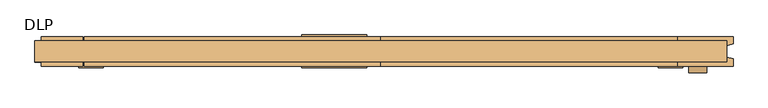
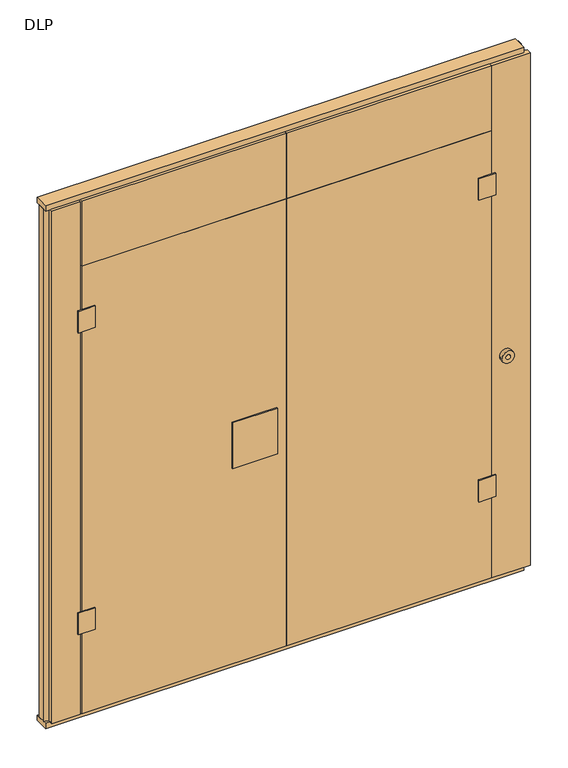
"""IFC4 building model written with IfcOpenShell, lengths in millimetres: door geometry, DLP."""

import ifcopenshell
import ifcopenshell.guid

model = None  # the IFC model being written
_history = None  # IfcOwnerHistory: only IFC2X3 demands one
_inside = {}  # id of a spatial element -> (the spatial element, [elements in it])
_under = {}  # id of a project, library or spatial element -> (it, [spatial elements below it])
_declared = {}  # id of a project -> (the project, [libraries it declares])
_typed = {}  # id of a type object -> (the type object, [elements of that type])
_made_of = {}  # id of a material, layer set ... -> (it, [elements and type objects made of it])


def new_model(schema):
    """Start an empty IFC model of exactly this schema.

    Asked for "IFC4X3", IfcOpenShell would pick the latest addendum, in which some entities
    have other attributes; the version numbers below select the first issue.
    IFC2X3 requires an IfcOwnerHistory on every rooted entity: one is made here for all.
    """
    global model, _history
    if schema == "IFC4X3":
        model = ifcopenshell.file(schema_version=(4, 3, 0, 0))
    else:
        model = ifcopenshell.file(schema=schema)
    _inside.clear()
    _under.clear()
    _declared.clear()
    _typed.clear()
    _made_of.clear()
    _history = None
    if model.schema == "IFC2X3":
        org = make("IfcOrganization", Name="unknown")
        user = make(
            "IfcPersonAndOrganization",
            ThePerson=make("IfcPerson", FamilyName="unknown"),
            TheOrganization=org,
        )
        app = make(
            "IfcApplication",
            ApplicationDeveloper=org,
            Version="unknown",
            ApplicationFullName="unknown",
            ApplicationIdentifier="unknown",
        )
        _history = make(
            "IfcOwnerHistory",
            OwningUser=user,
            OwningApplication=app,
            ChangeAction="ADDED",
            CreationDate=0,
        )
    return model


def make(cls, **values):
    """One entity of the class cls with the attributes given. An attribute that is None is left unset."""
    return model.create_entity(
        cls, **{name: value for name, value in values.items() if value is not None}
    )


def rooted(cls, **values):
    """An entity with a GlobalId (a new one), such as an element, a storey or a relation."""
    return make(cls, GlobalId=ifcopenshell.guid.new(), OwnerHistory=_history, **values)


def si_unit(unit_type, name, prefix=None):
    """IfcSIUnit, for example si_unit("LENGTHUNIT", "METRE", prefix="MILLI")."""
    return make("IfcSIUnit", UnitType=unit_type, Prefix=prefix, Name=name)


def assignment(units):
    """IfcUnitAssignment: the units of a project."""
    return None if units is None else make("IfcUnitAssignment", Units=units)


def point(xyz):
    """IfcCartesianPoint."""
    return None if xyz is None else make("IfcCartesianPoint", Coordinates=xyz)


def direction(xyz):
    """IfcDirection."""
    return None if xyz is None else make("IfcDirection", DirectionRatios=xyz)


def frame(location, z_axis=None, x_axis=None):
    """IfcAxis2Placement3D, a coordinate frame: its origin and axes. An axis left out is left unset."""
    return make(
        "IfcAxis2Placement3D",
        Location=point(location),
        Axis=direction(z_axis),
        RefDirection=direction(x_axis),
    )


def frame_2d(location, x_axis=None):
    """IfcAxis2Placement2D, a coordinate frame in the plane: its origin and x axis."""
    return make(
        "IfcAxis2Placement2D", Location=point(location), RefDirection=direction(x_axis)
    )


def origin():
    """The frame at (0, 0, 0) with its axes left unset."""
    return frame((0.0, 0.0, 0.0))


def origin_with_axes():
    """The frame at (0, 0, 0) with the z axis (0, 0, 1) and the x axis (1, 0, 0) written out."""
    return frame((0.0, 0.0, 0.0), z_axis=(0.0, 0.0, 1.0), x_axis=(1.0, 0.0, 0.0))


def place(relative_to, where):
    """IfcLocalPlacement: puts the frame where relative to a parent placement (None: the world)."""
    return make(
        "IfcLocalPlacement", PlacementRelTo=relative_to, RelativePlacement=where
    )


def context(
    kind, dimensions, precision=None, world=None, true_north=None, identifier=None
):
    """IfcGeometricRepresentationContext, for example the 3D "Model" context."""
    return make(
        "IfcGeometricRepresentationContext",
        ContextIdentifier=identifier,
        ContextType=kind,
        CoordinateSpaceDimension=dimensions,
        Precision=precision,
        WorldCoordinateSystem=world,
        TrueNorth=true_north,
    )


def project(units=None, contexts=None):
    """IfcProject with its units and contexts."""
    return rooted(
        "IfcProject",
        Name="project",
        RepresentationContexts=contexts,
        UnitsInContext=assignment(units),
    )


def spatial(cls, under=None, at=None, **own):
    """A site, building, storey or space (cls), placed at a placement, below another one or the project."""
    s = rooted(cls, ObjectPlacement=at, **own)
    if under is not None:
        _under.setdefault(under.id(), (under, []))[1].append(s)
    return s


def polyline(points):
    """IfcPolyline through the points."""
    return make("IfcPolyline", Points=[point(p) for p in points])


def circle_curve(where, radius):
    """IfcCircle in the frame where."""
    return make("IfcCircle", Position=where, Radius=radius)


def trimmed(basis, trim1, trim2, sense, master):
    """IfcTrimmedCurve: the piece of a basis curve between two trims."""
    return make(
        "IfcTrimmedCurve",
        BasisCurve=basis,
        Trim1=trim1,
        Trim2=trim2,
        SenseAgreement=sense,
        MasterRepresentation=master,
    )


def segment(curve, same_sense, transition):
    """IfcCompositeCurveSegment."""
    return make(
        "IfcCompositeCurveSegment",
        Transition=transition,
        SameSense=same_sense,
        ParentCurve=curve,
    )


def composite_curve(segments, self_intersect=None):
    """IfcCompositeCurve: segments joined end to end."""
    return make("IfcCompositeCurve", Segments=segments, SelfIntersect=self_intersect)


def outline(outer, holes=None, kind="AREA"):
    """IfcArbitraryClosedProfileDef: a profile drawn as a closed curve; with holes, ...WithVoids."""
    if holes is None:
        return make("IfcArbitraryClosedProfileDef", ProfileType=kind, OuterCurve=outer)
    return make(
        "IfcArbitraryProfileDefWithVoids",
        ProfileType=kind,
        OuterCurve=outer,
        InnerCurves=holes,
    )


def extrude(swept, where, along, depth):
    """IfcExtrudedAreaSolid: the profile swept, set in the frame where, extruded along a direction by depth."""
    return make(
        "IfcExtrudedAreaSolid",
        SweptArea=swept,
        Position=where,
        ExtrudedDirection=direction(along),
        Depth=depth,
    )


def shape(context_of_items, identifier, shape_type, items):
    """IfcShapeRepresentation: the items that make up one representation, for example the "Body"."""
    return make(
        "IfcShapeRepresentation",
        ContextOfItems=context_of_items,
        RepresentationIdentifier=identifier,
        RepresentationType=shape_type,
        Items=items,
    )


def source(mapping_origin, context_of_items, identifier, shape_type, items):
    """IfcRepresentationMap: a shape defined once, which mapped items show again and again."""
    return make(
        "IfcRepresentationMap",
        MappingOrigin=mapping_origin,
        MappedRepresentation=shape(context_of_items, identifier, shape_type, items),
    )


def transform(
    local_origin,
    x_axis=None,
    y_axis=None,
    z_axis=None,
    scale=None,
    scale2=None,
    scale3=None,
    uniform=True,
):
    """IfcCartesianTransformationOperator3D, or its non-uniform kind. x_axis, y_axis, z_axis: its Axis1, 2, 3."""
    if uniform:
        return make(
            "IfcCartesianTransformationOperator3D",
            Axis1=direction(x_axis),
            Axis2=direction(y_axis),
            LocalOrigin=point(local_origin),
            Scale=scale,
            Axis3=direction(z_axis),
        )
    return make(
        "IfcCartesianTransformationOperator3DnonUniform",
        Axis1=direction(x_axis),
        Axis2=direction(y_axis),
        LocalOrigin=point(local_origin),
        Scale=scale,
        Axis3=direction(z_axis),
        Scale2=scale2,
        Scale3=scale3,
    )


def mapped(mapping_source, mapping_target):
    """IfcMappedItem: shows the shape of a source again, moved by a transform."""
    return make(
        "IfcMappedItem", MappingSource=mapping_source, MappingTarget=mapping_target
    )


def made_of(thing, what):
    """Note that an element or type object is made of a material, layer set ...; save() writes the relation."""
    if what is not None:
        _made_of.setdefault(what.id(), (what, []))[1].append(thing)
    return thing


def element(
    cls,
    number,
    at=None,
    inside=None,
    cuts=None,
    type_object=None,
    material=None,
    context=None,
    identifier="Body",
    shape_type=None,
    held_by="IfcProductDefinitionShape",
    body=None,
    shapes=None,
    **own,
):
    """One element of the class cls, such as IfcWall. Its Tag is "e" and its number.

    at: its placement. inside: the storey or other place that contains it. cuts: it is an
    opening in that element (IfcRelVoidsElement). A single representation is given by context,
    identifier, shape_type and body (its items); several are given by shapes. held_by: the class
    of the entity that holds the representations. save() writes the other relations.
    """
    e = rooted(cls, Tag="e%d" % number, ObjectPlacement=at, **own)
    if body is not None:
        shapes = [shape(context, identifier, shape_type, body)]
    if shapes is not None:
        e.Representation = make(held_by, Representations=shapes)
    if inside is not None:
        _inside.setdefault(inside.id(), (inside, []))[1].append(e)
    if cuts is not None:
        rooted(
            "IfcRelVoidsElement", RelatingBuildingElement=cuts, RelatedOpeningElement=e
        )
    if type_object is not None:
        _typed.setdefault(type_object.id(), (type_object, []))[1].append(e)
    return made_of(e, material)


def aggregate(whole, parts):
    """IfcRelAggregates: a whole, such as a stair, and the parts it consists of."""
    return rooted("IfcRelAggregates", RelatingObject=whole, RelatedObjects=parts)


def save(model, path):
    """Write the relations noted so far, then the file.

    IfcRelAggregates (storeys below a building ...), IfcRelContainedInSpatialStructure (elements
    in a storey), IfcRelDefinesByType, IfcRelAssociatesMaterial and IfcRelDeclares: one each for
    every whole, place, type object, material and project.
    """
    for whole, parts in _under.values():
        aggregate(whole, parts)
    for where, things in _inside.values():
        rooted(
            "IfcRelContainedInSpatialStructure",
            RelatedElements=things,
            RelatingStructure=where,
        )
    for kind, things in _typed.values():
        rooted("IfcRelDefinesByType", RelatedObjects=things, RelatingType=kind)
    for what, things in _made_of.values():
        rooted("IfcRelAssociatesMaterial", RelatedObjects=things, RelatingMaterial=what)
    for by, libraries in _declared.values():
        rooted("IfcRelDeclares", RelatingContext=by, RelatedDefinitions=libraries)
    model.write(path)


def dlp_83d1400c(model_context):
    return source(origin(), model_context, "Body", "SweptSolid", [
        extrude(outline(polyline([(842.5000001, -45.0), (917.5000001, -45.0), (917.5000001, -50.0), (842.5000001, -50.0), (842.5000001, -45.0)])), frame((0.0, 0.0, 1800.0), z_axis=(0.0, 0.0, 1.0), x_axis=(1.0, 0.0, 0.0)), (0.0, 0.0, 1.0), 100.0),
        extrude(outline(polyline([(842.5000001, -45.0), (917.5000001, -45.0), (917.5000001, -50.0), (842.5000001, -50.0), (842.5000001, -45.0)])), frame((0.0, 0.0, 400.0), z_axis=(0.0, 0.0, 1.0), x_axis=(1.0, 0.0, 0.0)), (0.0, 0.0, 1.0), 100.0),
        extrude(outline(polyline([(1e-07, -45.0), (1e-07, 45.0), (900.0000001, 45.0), (900.0000001, -45.0), (1e-07, -45.0)])), frame((0.0, 0.0, 25.0), z_axis=(0.0, 0.0, 1.0), x_axis=(1.0, 0.0, 0.0)), (0.0, 0.0, 1.0), 2075.0),
        extrude(outline(polyline([(-842.4999999, -45.0), (-842.4999999, -50.0), (-917.4999999, -50.0), (-917.4999999, -45.0), (-842.4999999, -45.0)])), frame((0.0, 0.0, 1800.0), z_axis=(0.0, 0.0, 1.0), x_axis=(1.0, 0.0, 0.0)), (0.0, 0.0, 1.0), 100.0),
        extrude(outline(polyline([(-842.4999999, -45.0), (-842.4999999, -50.0), (-917.4999999, -50.0), (-917.4999999, -45.0), (-842.4999999, -45.0)])), frame((0.0, 0.0, 400.0), z_axis=(0.0, 0.0, 1.0), x_axis=(1.0, 0.0, 0.0)), (0.0, 0.0, 1.0), 100.0),
        extrude(outline(polyline([(-239.9999999, -50.0), (-239.9999999, -45.0), (-42.9999999, -45.0), (-42.9999999, -50.0), (-239.9999999, -50.0)])), frame((0.0, 0.0, 934.0), z_axis=(0.0, 0.0, 1.0), x_axis=(1.0, 0.0, 0.0)), (0.0, 0.0, 1.0), 212.0),
        extrude(outline(polyline([(-239.9999999, 45.0), (-239.9999999, 50.0), (-42.9999999, 50.0), (-42.9999999, 45.0), (-239.9999999, 45.0)])), frame((0.0, 0.0, 934.0), z_axis=(0.0, 0.0, 1.0), x_axis=(1.0, 0.0, 0.0)), (0.0, 0.0, 1.0), 212.0),
        extrude(outline(polyline([(-899.9999999, -45.0), (-899.9999999, 45.0), (1e-07, 45.0), (1e-07, -45.0), (-899.9999999, -45.0)])), frame((0.0, 0.0, 25.0), z_axis=(0.0, 0.0, 1.0), x_axis=(1.0, 0.0, 0.0)), (0.0, 0.0, 1.0), 2075.0),
        extrude(outline(polyline([(1e-07, 45.0), (900.0000001, 45.0), (900.0000001, -45.0), (1e-07, -45.0), (1e-07, 45.0)])), frame((0.0, 0.0, 2100.0), z_axis=(0.0, 0.0, 1.0), x_axis=(1.0, 0.0, 0.0)), (0.0, 0.0, 1.0), 302.0),
        extrude(outline(polyline([(1e-07, 45.0), (1e-07, -45.0), (-899.9999999, -45.0), (-899.9999999, 45.0), (1e-07, 45.0)])), frame((0.0, 0.0, 2100.0), z_axis=(0.0, 0.0, 1.0), x_axis=(1.0, 0.0, 0.0)), (0.0, 0.0, 1.0), 302.0),
        extrude(outline(polyline([(1050.0, 32.0), (1050.0, -32.0), (-1050.0, -32.0), (-1050.0, 32.0), (1050.0, 32.0)])), origin_with_axes(), (0.0, 0.0, 1.0), 25.0),
        extrude(outline(polyline([(1050.0, 32.0), (1050.0, -32.0), (-1050.0, -32.0), (-1050.0, 32.0), (1050.0, 32.0)])), frame((0.0, 0.0, 2402.0), z_axis=(0.0, 0.0, 1.0), x_axis=(1.0, 0.0, 0.0)), (0.0, 0.0, 1.0), 25.0),
        extrude(outline(polyline([(900.0000001, -45.0), (900.0000001, 45.0), (1070.0, 45.0), (1070.0, 22.9993165), (1050.0, 17.6401049), (1050.0, -17.6401049), (1070.0, -22.9993165), (1070.0, -45.0), (900.0000001, -45.0)])), frame((0.0, 0.0, 25.0), z_axis=(0.0, 0.0, 1.0), x_axis=(1.0, 0.0, 0.0)), (0.0, 0.0, 1.0), 2377.0),
        extrude(outline(polyline([(-1030.0, -45.0), (-1030.0, -22.9993165), (-1050.0, -17.6401049), (-1050.0, 17.6401049), (-1030.0, 22.9993165), (-1030.0, 45.0), (-905.0, 45.0), (-905.0, -45.0), (-1030.0, -45.0)])), frame((0.0, 0.0, 25.0), z_axis=(0.0, 0.0, 1.0), x_axis=(1.0, 0.0, 0.0)), (0.0, 0.0, 1.0), 2377.0),
        extrude(outline(composite_curve([segment(trimmed(circle_curve(frame_2d((1040.0, 962.6400001)), 27.5), [point((1040.0, 990.1400001))], [point((1040.0, 935.1400001))], False, "CARTESIAN"), True, "CONTINUOUS"), segment(trimmed(circle_curve(frame_2d((1040.0, 962.6400001)), 27.5), [point((1040.0, 935.1400001))], [point((1040.0, 990.1400001))], False, "CARTESIAN"), True, "CONTINUOUS")], self_intersect=False), holes=[composite_curve([segment(trimmed(circle_curve(frame_2d((1040.0, 962.6400001)), 10.0), [point((1040.0, 952.6400001))], [point((1040.0, 972.6400001))], True, "CARTESIAN"), True, "CONTINUOUS"), segment(trimmed(circle_curve(frame_2d((1040.0, 962.6400001)), 10.0), [point((1040.0, 972.6400001))], [point((1040.0, 952.6400001))], True, "CARTESIAN"), True, "CONTINUOUS")], self_intersect=False)]), frame((0.0, -65.0, 0.0), z_axis=(0.0, 1.0, 0.0), x_axis=(0.0, 0.0, 1.0)), (0.0, 0.0, 1.0), 20.0),
    ])


if __name__ == "__main__":
    model = new_model("IFC4")
    model_context = context("Model", 3, world=origin())
    ifc_project = project(units=[si_unit("LENGTHUNIT", "METRE", prefix="MILLI")], contexts=[model_context])
    site = spatial("IfcSite", under=ifc_project)
    building = spatial("IfcBuilding", under=site)
    placement = place(None, origin())
    dlp_shape = dlp_83d1400c(model_context)
    element("IfcDoor", 1, ObjectType="DLP", at=placement, inside=building, context=model_context, shape_type="MappedRepresentation", body=[
        mapped(dlp_shape, transform((0.0, 0.0, 0.0), x_axis=(1.0, 0.0, 0.0), y_axis=(0.0, 1.0, 0.0), z_axis=(0.0, 0.0, 1.0))),
    ])
    save(model, "model.ifc")
